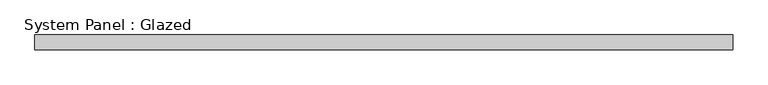
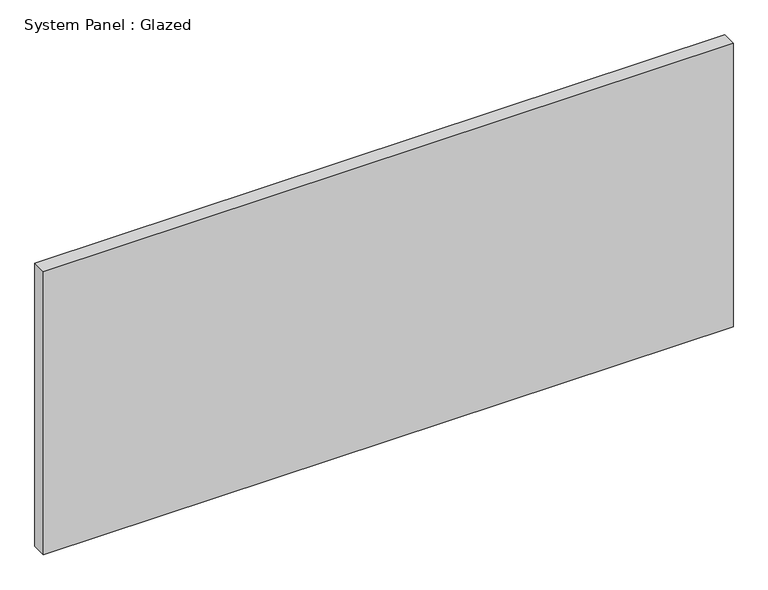
"""IFC4 building model written with IfcOpenShell, lengths in millimetres: plate geometry, System Panel : Glazed."""

import ifcopenshell
import ifcopenshell.guid

model = None  # the IFC model being written
_history = None  # IfcOwnerHistory: only IFC2X3 demands one
_inside = {}  # id of a spatial element -> (the spatial element, [elements in it])
_under = {}  # id of a project, library or spatial element -> (it, [spatial elements below it])
_declared = {}  # id of a project -> (the project, [libraries it declares])
_typed = {}  # id of a type object -> (the type object, [elements of that type])
_made_of = {}  # id of a material, layer set ... -> (it, [elements and type objects made of it])


def new_model(schema):
    """Start an empty IFC model of exactly this schema.

    Asked for "IFC4X3", IfcOpenShell would pick the latest addendum, in which some entities
    have other attributes; the version numbers below select the first issue.
    IFC2X3 requires an IfcOwnerHistory on every rooted entity: one is made here for all.
    """
    global model, _history
    if schema == "IFC4X3":
        model = ifcopenshell.file(schema_version=(4, 3, 0, 0))
    else:
        model = ifcopenshell.file(schema=schema)
    _inside.clear()
    _under.clear()
    _declared.clear()
    _typed.clear()
    _made_of.clear()
    _history = None
    if model.schema == "IFC2X3":
        org = make("IfcOrganization", Name="unknown")
        user = make(
            "IfcPersonAndOrganization",
            ThePerson=make("IfcPerson", FamilyName="unknown"),
            TheOrganization=org,
        )
        app = make(
            "IfcApplication",
            ApplicationDeveloper=org,
            Version="unknown",
            ApplicationFullName="unknown",
            ApplicationIdentifier="unknown",
        )
        _history = make(
            "IfcOwnerHistory",
            OwningUser=user,
            OwningApplication=app,
            ChangeAction="ADDED",
            CreationDate=0,
        )
    return model


def make(cls, **values):
    """One entity of the class cls with the attributes given. An attribute that is None is left unset."""
    return model.create_entity(
        cls, **{name: value for name, value in values.items() if value is not None}
    )


def rooted(cls, **values):
    """An entity with a GlobalId (a new one), such as an element, a storey or a relation."""
    return make(cls, GlobalId=ifcopenshell.guid.new(), OwnerHistory=_history, **values)


def si_unit(unit_type, name, prefix=None):
    """IfcSIUnit, for example si_unit("LENGTHUNIT", "METRE", prefix="MILLI")."""
    return make("IfcSIUnit", UnitType=unit_type, Prefix=prefix, Name=name)


def assignment(units):
    """IfcUnitAssignment: the units of a project."""
    return None if units is None else make("IfcUnitAssignment", Units=units)


def point(xyz):
    """IfcCartesianPoint."""
    return None if xyz is None else make("IfcCartesianPoint", Coordinates=xyz)


def direction(xyz):
    """IfcDirection."""
    return None if xyz is None else make("IfcDirection", DirectionRatios=xyz)


def frame(location, z_axis=None, x_axis=None):
    """IfcAxis2Placement3D, a coordinate frame: its origin and axes. An axis left out is left unset."""
    return make(
        "IfcAxis2Placement3D",
        Location=point(location),
        Axis=direction(z_axis),
        RefDirection=direction(x_axis),
    )


def origin():
    """The frame at (0, 0, 0) with its axes left unset."""
    return frame((0.0, 0.0, 0.0))


def origin_with_axes():
    """The frame at (0, 0, 0) with the z axis (0, 0, 1) and the x axis (1, 0, 0) written out."""
    return frame((0.0, 0.0, 0.0), z_axis=(0.0, 0.0, 1.0), x_axis=(1.0, 0.0, 0.0))


def place(relative_to, where):
    """IfcLocalPlacement: puts the frame where relative to a parent placement (None: the world)."""
    return make(
        "IfcLocalPlacement", PlacementRelTo=relative_to, RelativePlacement=where
    )


def context(
    kind, dimensions, precision=None, world=None, true_north=None, identifier=None
):
    """IfcGeometricRepresentationContext, for example the 3D "Model" context."""
    return make(
        "IfcGeometricRepresentationContext",
        ContextIdentifier=identifier,
        ContextType=kind,
        CoordinateSpaceDimension=dimensions,
        Precision=precision,
        WorldCoordinateSystem=world,
        TrueNorth=true_north,
    )


def project(units=None, contexts=None):
    """IfcProject with its units and contexts."""
    return rooted(
        "IfcProject",
        Name="project",
        RepresentationContexts=contexts,
        UnitsInContext=assignment(units),
    )


def spatial(cls, under=None, at=None, **own):
    """A site, building, storey or space (cls), placed at a placement, below another one or the project."""
    s = rooted(cls, ObjectPlacement=at, **own)
    if under is not None:
        _under.setdefault(under.id(), (under, []))[1].append(s)
    return s


def polyline(points):
    """IfcPolyline through the points."""
    return make("IfcPolyline", Points=[point(p) for p in points])


def outline(outer, holes=None, kind="AREA"):
    """IfcArbitraryClosedProfileDef: a profile drawn as a closed curve; with holes, ...WithVoids."""
    if holes is None:
        return make("IfcArbitraryClosedProfileDef", ProfileType=kind, OuterCurve=outer)
    return make(
        "IfcArbitraryProfileDefWithVoids",
        ProfileType=kind,
        OuterCurve=outer,
        InnerCurves=holes,
    )


def extrude(swept, where, along, depth):
    """IfcExtrudedAreaSolid: the profile swept, set in the frame where, extruded along a direction by depth."""
    return make(
        "IfcExtrudedAreaSolid",
        SweptArea=swept,
        Position=where,
        ExtrudedDirection=direction(along),
        Depth=depth,
    )


def shape(context_of_items, identifier, shape_type, items):
    """IfcShapeRepresentation: the items that make up one representation, for example the "Body"."""
    return make(
        "IfcShapeRepresentation",
        ContextOfItems=context_of_items,
        RepresentationIdentifier=identifier,
        RepresentationType=shape_type,
        Items=items,
    )


def source(mapping_origin, context_of_items, identifier, shape_type, items):
    """IfcRepresentationMap: a shape defined once, which mapped items show again and again."""
    return make(
        "IfcRepresentationMap",
        MappingOrigin=mapping_origin,
        MappedRepresentation=shape(context_of_items, identifier, shape_type, items),
    )


def transform(
    local_origin,
    x_axis=None,
    y_axis=None,
    z_axis=None,
    scale=None,
    scale2=None,
    scale3=None,
    uniform=True,
):
    """IfcCartesianTransformationOperator3D, or its non-uniform kind. x_axis, y_axis, z_axis: its Axis1, 2, 3."""
    if uniform:
        return make(
            "IfcCartesianTransformationOperator3D",
            Axis1=direction(x_axis),
            Axis2=direction(y_axis),
            LocalOrigin=point(local_origin),
            Scale=scale,
            Axis3=direction(z_axis),
        )
    return make(
        "IfcCartesianTransformationOperator3DnonUniform",
        Axis1=direction(x_axis),
        Axis2=direction(y_axis),
        LocalOrigin=point(local_origin),
        Scale=scale,
        Axis3=direction(z_axis),
        Scale2=scale2,
        Scale3=scale3,
    )


def mapped(mapping_source, mapping_target):
    """IfcMappedItem: shows the shape of a source again, moved by a transform."""
    return make(
        "IfcMappedItem", MappingSource=mapping_source, MappingTarget=mapping_target
    )


def made_of(thing, what):
    """Note that an element or type object is made of a material, layer set ...; save() writes the relation."""
    if what is not None:
        _made_of.setdefault(what.id(), (what, []))[1].append(thing)
    return thing


def element(
    cls,
    number,
    at=None,
    inside=None,
    cuts=None,
    type_object=None,
    material=None,
    context=None,
    identifier="Body",
    shape_type=None,
    held_by="IfcProductDefinitionShape",
    body=None,
    shapes=None,
    **own,
):
    """One element of the class cls, such as IfcWall. Its Tag is "e" and its number.

    at: its placement. inside: the storey or other place that contains it. cuts: it is an
    opening in that element (IfcRelVoidsElement). A single representation is given by context,
    identifier, shape_type and body (its items); several are given by shapes. held_by: the class
    of the entity that holds the representations. save() writes the other relations.
    """
    e = rooted(cls, Tag="e%d" % number, ObjectPlacement=at, **own)
    if body is not None:
        shapes = [shape(context, identifier, shape_type, body)]
    if shapes is not None:
        e.Representation = make(held_by, Representations=shapes)
    if inside is not None:
        _inside.setdefault(inside.id(), (inside, []))[1].append(e)
    if cuts is not None:
        rooted(
            "IfcRelVoidsElement", RelatingBuildingElement=cuts, RelatedOpeningElement=e
        )
    if type_object is not None:
        _typed.setdefault(type_object.id(), (type_object, []))[1].append(e)
    return made_of(e, material)


def aggregate(whole, parts):
    """IfcRelAggregates: a whole, such as a stair, and the parts it consists of."""
    return rooted("IfcRelAggregates", RelatingObject=whole, RelatedObjects=parts)


def save(model, path):
    """Write the relations noted so far, then the file.

    IfcRelAggregates (storeys below a building ...), IfcRelContainedInSpatialStructure (elements
    in a storey), IfcRelDefinesByType, IfcRelAssociatesMaterial and IfcRelDeclares: one each for
    every whole, place, type object, material and project.
    """
    for whole, parts in _under.values():
        aggregate(whole, parts)
    for where, things in _inside.values():
        rooted(
            "IfcRelContainedInSpatialStructure",
            RelatedElements=things,
            RelatingStructure=where,
        )
    for kind, things in _typed.values():
        rooted("IfcRelDefinesByType", RelatedObjects=things, RelatingType=kind)
    for what, things in _made_of.values():
        rooted("IfcRelAssociatesMaterial", RelatedObjects=things, RelatingMaterial=what)
    for by, libraries in _declared.values():
        rooted("IfcRelDeclares", RelatingContext=by, RelatedDefinitions=libraries)
    model.write(path)


def system_panel_glazed_9cde8ee8(model_context):
    return source(origin(), model_context, "Body", "SweptSolid", [
        extrude(outline(polyline([(592.5146968, 19.05), (-592.5146968, 19.05), (-592.5146968, 44.45), (592.5146968, 44.45), (592.5146968, 19.05)])), origin_with_axes(), (0.0, 0.0, 1.0), 514.35),
    ])


if __name__ == "__main__":
    model = new_model("IFC4")
    model_context = context("Model", 3, world=origin())
    ifc_project = project(units=[si_unit("LENGTHUNIT", "METRE", prefix="MILLI")], contexts=[model_context])
    site = spatial("IfcSite", under=ifc_project)
    building = spatial("IfcBuilding", under=site)
    placement = place(None, origin())
    system_panel_glazed_shape = system_panel_glazed_9cde8ee8(model_context)
    element("IfcPlate", 1, ObjectType="System Panel : Glazed", at=placement, inside=building, context=model_context, shape_type="MappedRepresentation", body=[
        mapped(system_panel_glazed_shape, transform((0.0, 0.0, 0.0), x_axis=(1.0, 0.0, 0.0), y_axis=(0.0, 1.0, 0.0), z_axis=(0.0, 0.0, 1.0))),
    ])
    save(model, "model.ifc")
